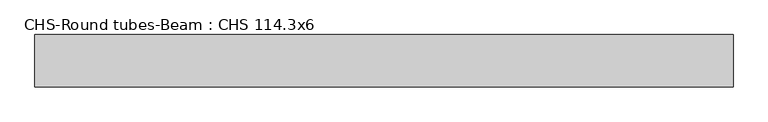
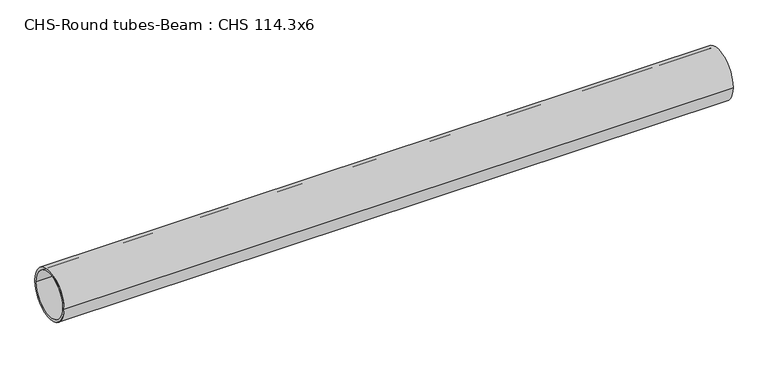
"""IFC4 building model written with IfcOpenShell, lengths in millimetres: beam geometry, CHS-Round tubes-Beam : CHS 114.3x6."""

from ifc_helpers import new_model, si_unit, point, frame, origin, origin_2d, place, context, project, spatial, circle_curve, trimmed, segment, composite_curve, outline, extrude, source, transform, mapped, element, save


def chs_round_tubes_beam_chs_114_3x6_37311762(model_context):
    return source(origin(), model_context, "Body", "SweptSolid", [
        extrude(outline(composite_curve([segment(trimmed(circle_curve(origin_2d(), 57.15), [point((57.15, 0.0))], [point((-57.15, 0.0))], False, "CARTESIAN"), True, "CONTINUOUS"), segment(trimmed(circle_curve(origin_2d(), 57.15), [point((-57.15, 0.0))], [point((57.15, 0.0))], False, "CARTESIAN"), True, "CONTINUOUS")], self_intersect=False), holes=[composite_curve([segment(trimmed(circle_curve(origin_2d(), 51.15), [point((51.15, 0.0))], [point((-51.15, 0.0))], True, "CARTESIAN"), True, "CONTINUOUS"), segment(trimmed(circle_curve(origin_2d(), 51.15), [point((-51.15, 0.0))], [point((51.15, 0.0))], True, "CARTESIAN"), True, "CONTINUOUS")], self_intersect=False)]), frame((-744.4657409, 0.0, 0.0), z_axis=(1.0, 0.0, 0.0), x_axis=(0.0, 1.0, 0.0)), (0.0, 0.0, 1.0), 1520.8089453),
    ])


if __name__ == "__main__":
    model = new_model("IFC4")
    model_context = context("Model", 3, world=origin())
    ifc_project = project(units=[si_unit("LENGTHUNIT", "METRE", prefix="MILLI")], contexts=[model_context])
    site = spatial("IfcSite", under=ifc_project)
    building = spatial("IfcBuilding", under=site)
    placement = place(None, origin())
    chs_round_tubes_beam_chs_114_3x6_shape = chs_round_tubes_beam_chs_114_3x6_37311762(model_context)
    element("IfcBeam", 1, ObjectType="CHS-Round tubes-Beam : CHS 114.3x6", at=placement, inside=building, context=model_context, shape_type="MappedRepresentation", body=[
        mapped(chs_round_tubes_beam_chs_114_3x6_shape, transform((0.0, 0.0, 0.0), x_axis=(1.0, 0.0, 0.0), y_axis=(0.0, 1.0, 0.0), z_axis=(0.0, 0.0, 1.0))),
    ])
    save(model, "model.ifc")
